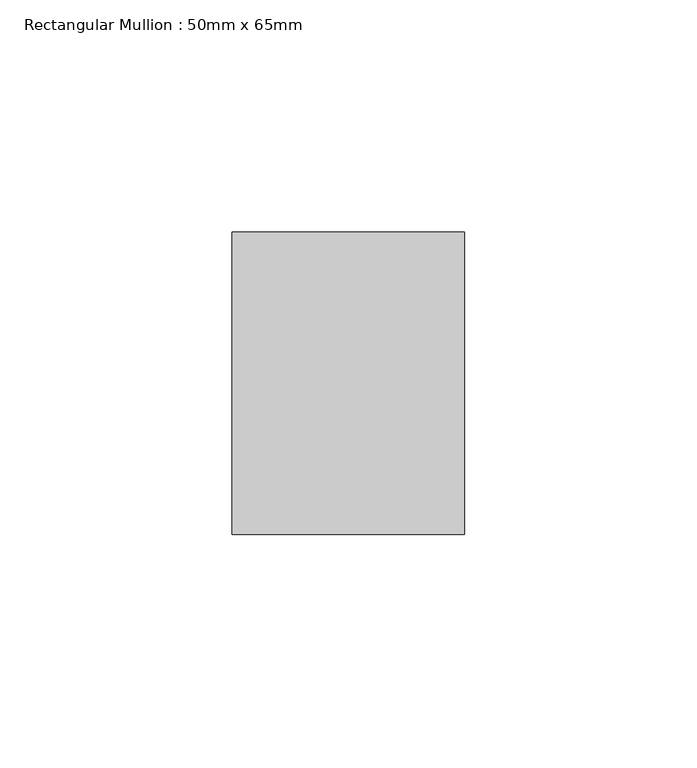
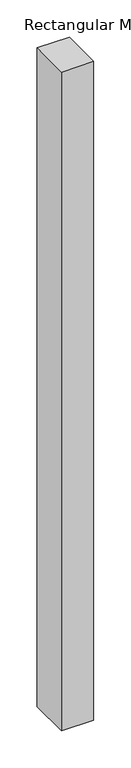
"""IFC4 building model written with IfcOpenShell, lengths in millimetres: member geometry, Rectangular Mullion : 50mm x 65mm."""

from ifc_helpers import new_model, si_unit, frame, origin, place, context, project, spatial, polyline, outline, extrude, source, transform, mapped, element, save


def rectangular_mullion_50mm_x_65mm_aed50222(model_context):
    return source(origin(), model_context, "Body", "SweptSolid", [
        extrude(outline(polyline([(25.0, 32.5), (25.0, -32.5), (-25.0, -32.5), (-25.0, 32.5), (25.0, 32.5)])), frame((0.0, 0.0, -1078.0452225), z_axis=(0.0, 0.0, 1.0), x_axis=(1.0, 0.0, 0.0)), (0.0, 0.0, 1.0), 1078.0452225),
    ])


if __name__ == "__main__":
    model = new_model("IFC4")
    model_context = context("Model", 3, world=origin())
    ifc_project = project(units=[si_unit("LENGTHUNIT", "METRE", prefix="MILLI")], contexts=[model_context])
    site = spatial("IfcSite", under=ifc_project)
    building = spatial("IfcBuilding", under=site)
    placement = place(None, origin())
    rectangular_mullion_50mm_x_65mm_shape = rectangular_mullion_50mm_x_65mm_aed50222(model_context)
    element("IfcMember", 1, ObjectType="Rectangular Mullion : 50mm x 65mm", at=placement, inside=building, context=model_context, shape_type="MappedRepresentation", body=[
        mapped(rectangular_mullion_50mm_x_65mm_shape, transform((0.0, 0.0, 0.0), x_axis=(1.0, 0.0, 0.0), y_axis=(0.0, 1.0, 0.0), z_axis=(0.0, 0.0, 1.0))),
    ])
    save(model, "model.ifc")
